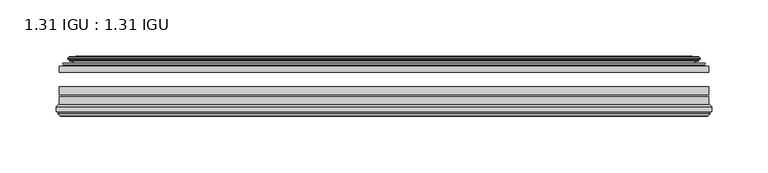
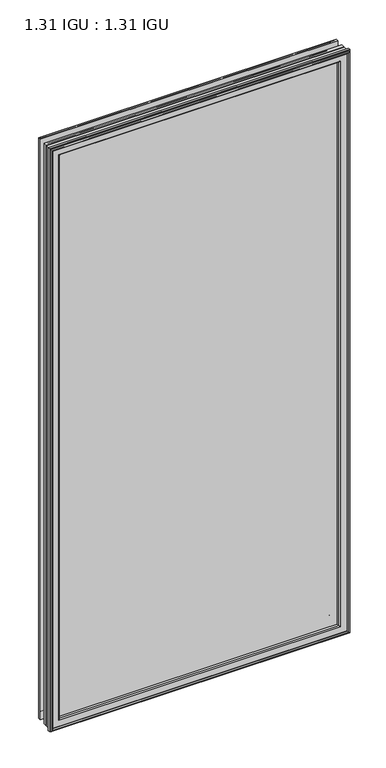
"""IFC4 building model written with IfcOpenShell, lengths in millimetres: plate geometry, 1.31 IGU : 1.31 IGU."""

from ifc_helpers import new_model, si_unit, frame, origin, place, context, project, spatial, polyline, ellipse_curve, outline, extrude, source, transform, mapped, element, save
from ifc_brep_helpers import plane_surface, cylinder_surface, revolved_surface, advanced_brep


def plate_1_31_igu_1_31_igu_f4e4a702(model_context):
    return source(origin(), model_context, "Body", "SolidModel", [
        extrude(outline(polyline([(287.3325649, -44.8960875), (287.3325649, -50.4332875), (-287.3375, -50.4332875), (-287.3375, -44.8960875), (287.3325649, -44.8960875)])), frame((0.0, 0.0, -14.2875), z_axis=(0.0, 0.0, 1.0), x_axis=(1.0, 0.0, 0.0)), (0.0, 0.0, 1.0), 1184.275),
        extrude(outline(polyline([(-287.3375, -78.7796875), (-287.3375, -71.7692875), (287.3325649, -71.7692875), (287.3325649, -78.7796875), (-287.3375, -78.7796875)])), frame((0.0, 0.0, -14.2875), z_axis=(0.0, 0.0, 1.0), x_axis=(1.0, 0.0, 0.0)), (0.0, 0.0, 1.0), 1184.275),
        extrude(outline(polyline([(-287.3375, -70.2452875), (-287.3375, -63.1332875), (287.3325649, -63.1332875), (287.3325649, -70.2452875), (-287.3375, -70.2452875)])), frame((0.0, 0.0, -14.2875), z_axis=(0.0, 0.0, 1.0), x_axis=(1.0, 0.0, 0.0)), (0.0, 0.0, 1.0), 1184.275),
        advanced_brep(
        [(-277.9921755, -37.7373382, 1160.6421755), (-273.0505426, -36.3108875, 1155.7005426), (-273.0505426, -36.3108875, -0.0005426), (-277.9921755, -37.7373382, -4.9421755), (-277.8270702, -36.9605789, 1160.4770702), (-277.8270702, -36.9605789, -4.7770702), (-278.4225559, -36.4771203, 1161.0725559), (-278.4225559, -36.4771203, -5.3725559), (-279.6871917, -37.766076, 1162.3371917), (-279.6871917, -37.766076, -6.6371917), (-279.6763749, -38.8797852, 1162.3263749), (-279.6763749, -38.8797852, -6.6263749), (-278.3948897, -40.1361433, 1161.0448897), (-278.3948897, -40.1361433, -5.3448897), (-277.7898829, -39.649943, 1160.4398829), (-277.7898829, -39.649943, -4.7398829), (-278.3438972, -39.0959287, 1160.9938972), (-278.3438972, -39.0959287, -5.2938972), (-276.0580887, -38.7029881, 1158.7080887), (-276.0580887, -38.7029881, -3.0080887), (-274.5990157, -40.2107282, 1157.2490157), (-274.5990157, -40.2107282, -1.5490157), (-274.8955976, -41.651269, 1157.5455976), (-274.8955976, -41.651269, -1.8455976), (-275.6668221, -42.2798875, 1158.3168221), (-275.6668221, -42.2798875, -2.6168221), (-283.9707984, -43.4871542, 1166.6207984), (-283.6955969, -42.2798875, 1166.3455969), (-283.6955969, -42.2798875, -10.6455969), (-283.9707984, -43.4871542, -10.9207984), (-280.5132297, -44.8960875, 1163.1632297), (-280.5132297, -44.8960875, -7.4632297), (-269.4156059, -44.023302, 1152.0656059), (-269.7709439, -44.8960875, 1152.4209439), (-269.7709439, -44.8960875, 3.2790561), (-269.4156059, -44.023302, 3.6343941), (-270.086804, -43.3681812, 1152.736804), (-270.086804, -43.3681812, 2.963196), (-271.7275946, -40.6686056, 1154.3775946), (-271.7275946, -40.6686056, 1.3224054), (273.0505426, -36.3108875, -0.0005426), (277.9921755, -37.7373382, -4.9421755), (277.8270702, -36.9605789, -4.7770702), (278.4225559, -36.4771203, -5.3725559), (279.6871917, -37.766076, -6.6371917), (279.6763749, -38.8797852, -6.6263749), (278.3948897, -40.1361433, -5.3448897), (277.7898829, -39.649943, -4.7398829), (278.3438972, -39.0959287, -5.2938972), (276.0580887, -38.7029881, -3.0080887), (274.5990157, -40.2107282, -1.5490157), (274.8955976, -41.651269, -1.8455976), (275.6668221, -42.2798875, -2.6168221), (283.6955969, -42.2798875, -10.6455969), (283.9707984, -43.4871542, -10.9207984), (280.5132297, -44.8960875, -7.4632297), (269.7709439, -44.8960875, 3.2790561), (269.4156059, -44.023302, 3.6343941), (270.086804, -43.3681812, 2.963196), (271.7275946, -40.6686056, 1.3224054), (273.0505426, -36.3108875, 1155.7005426), (277.9921755, -37.7373382, 1160.6421755), (277.8270702, -36.9605789, 1160.4770702), (278.4225559, -36.4771203, 1161.0725559), (279.6871917, -37.766076, 1162.3371917), (279.6763749, -38.8797852, 1162.3263749), (278.3948897, -40.1361433, 1161.0448897), (277.7898829, -39.649943, 1160.4398829), (278.3438972, -39.0959287, 1160.9938972), (276.0580887, -38.7029881, 1158.7080887), (274.5990157, -40.2107282, 1157.2490157), (274.8955976, -41.651269, 1157.5455976), (275.6668221, -42.2798875, 1158.3168221), (283.6955969, -42.2798875, 1166.3455969), (283.9707984, -43.4871542, 1166.6207984), (280.5132297, -44.8960875, 1163.1632297), (269.7709439, -44.8960875, 1152.4209439), (269.4156059, -44.023302, 1152.0656059), (270.086804, -43.3681812, 1152.736804), (271.7275946, -40.6686056, 1154.3775946)],
        [
            (0, 1),
            (1, 2),
            (2, 3),
            (3, 0),
            (4, 0),
            (3, 5),
            (5, 4),
            (6, 4, ellipse_curve(frame((-278.1475871, -36.746901, 1160.7975871), z_axis=(-0.7071067811865475, 0.0, -0.7071067811865475), x_axis=(-0.7071067811865474, 0.0, 0.7071067811865476)), 0.5447741, 0.3852135)),
            (5, 7, ellipse_curve(frame((-278.1475871, -36.746901, -5.0975871), z_axis=(-0.7071067811865475, 0.0, 0.7071067811865475), x_axis=(0.7071067811865474, 0.0, 0.7071067811865476)), 0.5447741, 0.3852135)),
            (7, 6),
            (8, 6),
            (7, 9),
            (9, 8),
            (10, 8, ellipse_curve(frame((-279.1251387, -38.3175243, 1161.7751387), z_axis=(-0.7071067811865475, 0.0, -0.7071067811865475), x_axis=(-0.7071067811865474, 0.0, 0.7071067811865476)), 1.1135518, 0.7874)),
            (9, 11, ellipse_curve(frame((-279.1251387, -38.3175243, -6.0751387), z_axis=(-0.7071067811865475, 0.0, 0.7071067811865475), x_axis=(0.7071067811865474, 0.0, 0.7071067811865476)), 1.1135518, 0.7874)),
            (11, 10),
            (12, 10),
            (11, 13),
            (13, 12),
            (14, 12, ellipse_curve(frame((-278.1212922, -39.8570738, 1160.7712922), z_axis=(-0.7071067811865475, 0.0, -0.7071067811865475), x_axis=(-0.7071067811865474, 0.0, 0.7071067811865476)), 0.552694, 0.3908137)),
            (13, 15, ellipse_curve(frame((-278.1212922, -39.8570738, -5.0712922), z_axis=(-0.7071067811865475, 0.0, 0.7071067811865475), x_axis=(0.7071067811865474, 0.0, 0.7071067811865476)), 0.552694, 0.3908137)),
            (15, 14),
            (16, 14),
            (15, 17),
            (17, 16),
            (18, 16),
            (17, 19),
            (19, 18),
            (20, 18, ellipse_curve(frame((-275.8429261, -39.954629, 1158.4929261), z_axis=(0.7071067811865475, 0.0, 0.7071067811865475), x_axis=(0.7071067811865474, 0.0, -0.7071067811865476)), 1.7960512, 1.27)),
            (19, 21, ellipse_curve(frame((-275.8429261, -39.954629, -2.7929261), z_axis=(0.7071067811865475, 0.0, -0.7071067811865475), x_axis=(-0.7071067811865474, 0.0, -0.7071067811865476)), 1.7960512, 1.27)),
            (21, 20),
            (22, 20),
            (21, 23),
            (23, 22),
            (24, 22, ellipse_curve(frame((-275.6668221, -41.4924875, 1158.3168221), z_axis=(0.7071067811865475, 0.0, 0.7071067811865475), x_axis=(0.7071067811865474, 0.0, -0.7071067811865476)), 1.1135518, 0.7874)),
            (23, 25, ellipse_curve(frame((-275.6668221, -41.4924875, -2.6168221), z_axis=(0.7071067811865475, 0.0, -0.7071067811865475), x_axis=(-0.7071067811865474, 0.0, -0.7071067811865476)), 1.1135518, 0.7874)),
            (25, 24),
            (26, 27, ellipse_curve(frame((-283.6955969, -42.9148875, 1166.3455969), z_axis=(-0.7071067811865475, 0.0, -0.7071067811865475), x_axis=(-0.7071067811865474, 0.0, 0.7071067811865476)), 0.8980256, 0.635)),
            (27, 28),
            (28, 29, ellipse_curve(frame((-283.6955969, -42.9148875, -10.6455969), z_axis=(-0.7071067811865475, 0.0, 0.7071067811865475), x_axis=(0.7071067811865474, 0.0, 0.7071067811865476)), 0.8980256, 0.635)),
            (29, 26),
            (30, 26),
            (29, 31),
            (31, 30),
            (32, 33, ellipse_curve(frame((-269.7709439, -44.3873602, 1152.4209439), z_axis=(-0.7071067811865475, 0.0, -0.7071067811865475), x_axis=(-0.7071067811865474, 0.0, 0.7071067811865476)), 0.719449, 0.5087273)),
            (33, 34),
            (34, 35, ellipse_curve(frame((-269.7709439, -44.3873602, 3.2790561), z_axis=(-0.7071067811865475, 0.0, 0.7071067811865475), x_axis=(0.7071067811865474, 0.0, 0.7071067811865476)), 0.719449, 0.5087273)),
            (35, 32),
            (36, 32),
            (35, 37),
            (37, 36),
            (38, 36, ellipse_curve(frame((-265.6514298, -38.823959, 1148.3014298), z_axis=(0.7071067811865475, 0.0, 0.7071067811865475), x_axis=(0.7071067811865474, 0.0, -0.7071067811865476)), 8.9802561, 6.35)),
            (37, 39, ellipse_curve(frame((-265.6514298, -38.823959, 7.3985702), z_axis=(0.7071067811865475, 0.0, -0.7071067811865475), x_axis=(-0.7071067811865474, 0.0, -0.7071067811865476)), 8.9802561, 6.35)),
            (39, 38),
            (1, 38),
            (39, 2),
            (2, 40),
            (40, 41),
            (41, 3),
            (41, 42),
            (42, 5),
            (42, 43, ellipse_curve(frame((278.1475871, -36.746901, -5.0975871), z_axis=(-0.7071067811865475, 0.0, -0.7071067811865475), x_axis=(-0.7071067811865476, 0.0, 0.7071067811865474)), 0.5447741, 0.3852135)),
            (43, 7),
            (43, 44),
            (44, 9),
            (44, 45, ellipse_curve(frame((279.1251387, -38.3175243, -6.0751387), z_axis=(-0.7071067811865475, 0.0, -0.7071067811865475), x_axis=(-0.7071067811865476, 0.0, 0.7071067811865474)), 1.1135518, 0.7874)),
            (45, 11),
            (45, 46),
            (46, 13),
            (46, 47, ellipse_curve(frame((278.1212922, -39.8570738, -5.0712922), z_axis=(-0.7071067811865475, 0.0, -0.7071067811865475), x_axis=(-0.7071067811865476, 0.0, 0.7071067811865474)), 0.552694, 0.3908137)),
            (47, 15),
            (47, 48),
            (48, 17),
            (48, 49),
            (49, 19),
            (49, 50, ellipse_curve(frame((275.8429261, -39.954629, -2.7929261), z_axis=(0.7071067811865475, 0.0, 0.7071067811865475), x_axis=(0.7071067811865476, 0.0, -0.7071067811865474)), 1.7960512, 1.27)),
            (50, 21),
            (50, 51),
            (51, 23),
            (51, 52, ellipse_curve(frame((275.6668221, -41.4924875, -2.6168221), z_axis=(0.7071067811865475, 0.0, 0.7071067811865475), x_axis=(0.7071067811865476, 0.0, -0.7071067811865474)), 1.1135518, 0.7874)),
            (52, 25),
            (28, 53),
            (53, 54, ellipse_curve(frame((283.6955969, -42.9148875, -10.6455969), z_axis=(-0.7071067811865475, 0.0, -0.7071067811865475), x_axis=(-0.7071067811865476, 0.0, 0.7071067811865474)), 0.8980256, 0.635)),
            (54, 29),
            (54, 55),
            (55, 31),
            (34, 56),
            (56, 57, ellipse_curve(frame((269.7709439, -44.3873602, 3.2790561), z_axis=(-0.7071067811865475, 0.0, -0.7071067811865475), x_axis=(-0.7071067811865476, 0.0, 0.7071067811865474)), 0.719449, 0.5087273)),
            (57, 35),
            (57, 58),
            (58, 37),
            (58, 59, ellipse_curve(frame((265.6514298, -38.823959, 7.3985702), z_axis=(0.7071067811865475, 0.0, 0.7071067811865475), x_axis=(0.7071067811865476, 0.0, -0.7071067811865474)), 8.9802561, 6.35)),
            (59, 39),
            (59, 40),
            (40, 60),
            (60, 61),
            (61, 41),
            (61, 62),
            (62, 42),
            (62, 63, ellipse_curve(frame((278.1475871, -36.746901, 1160.7975871), z_axis=(0.7071067811865475, 0.0, -0.7071067811865475), x_axis=(-0.7071067811865474, 0.0, -0.7071067811865476)), 0.5447741, 0.3852135)),
            (63, 43),
            (63, 64),
            (64, 44),
            (64, 65, ellipse_curve(frame((279.1251387, -38.3175243, 1161.7751387), z_axis=(0.7071067811865475, 0.0, -0.7071067811865475), x_axis=(-0.7071067811865474, 0.0, -0.7071067811865476)), 1.1135518, 0.7874)),
            (65, 45),
            (65, 66),
            (66, 46),
            (66, 67, ellipse_curve(frame((278.1212922, -39.8570738, 1160.7712922), z_axis=(0.7071067811865475, 0.0, -0.7071067811865475), x_axis=(-0.7071067811865474, 0.0, -0.7071067811865476)), 0.552694, 0.3908137)),
            (67, 47),
            (67, 68),
            (68, 48),
            (68, 69),
            (69, 49),
            (69, 70, ellipse_curve(frame((275.8429261, -39.954629, 1158.4929261), z_axis=(-0.7071067811865475, 0.0, 0.7071067811865475), x_axis=(0.7071067811865474, 0.0, 0.7071067811865476)), 1.7960512, 1.27)),
            (70, 50),
            (70, 71),
            (71, 51),
            (71, 72, ellipse_curve(frame((275.6668221, -41.4924875, 1158.3168221), z_axis=(-0.7071067811865475, 0.0, 0.7071067811865475), x_axis=(0.7071067811865474, 0.0, 0.7071067811865476)), 1.1135518, 0.7874)),
            (72, 52),
            (53, 73),
            (73, 74, ellipse_curve(frame((283.6955969, -42.9148875, 1166.3455969), z_axis=(0.7071067811865475, 0.0, -0.7071067811865475), x_axis=(-0.7071067811865474, 0.0, -0.7071067811865476)), 0.8980256, 0.635)),
            (74, 54),
            (74, 75),
            (75, 55),
            (56, 76),
            (76, 77, ellipse_curve(frame((269.7709439, -44.3873602, 1152.4209439), z_axis=(0.7071067811865475, 0.0, -0.7071067811865475), x_axis=(-0.7071067811865474, 0.0, -0.7071067811865476)), 0.719449, 0.5087273)),
            (77, 57),
            (77, 78),
            (78, 58),
            (78, 79, ellipse_curve(frame((265.6514298, -38.823959, 1148.3014298), z_axis=(-0.7071067811865475, 0.0, 0.7071067811865475), x_axis=(0.7071067811865474, 0.0, 0.7071067811865476)), 8.9802561, 6.35)),
            (79, 59),
            (79, 60),
            (60, 1),
            (0, 61),
            (4, 62),
            (6, 63),
            (8, 64),
            (10, 65),
            (12, 66),
            (14, 67),
            (16, 68),
            (18, 69),
            (20, 70),
            (22, 71),
            (24, 72),
            (27, 73),
            (26, 74),
            (30, 75),
            (33, 76),
            (32, 77),
            (36, 78),
            (38, 79),
        ],
        [
            plane_surface(frame((-273.0505426, -36.3108875, 1155.7005426), z_axis=(-0.2773364928492854, 0.9607728502273877, 0.0), x_axis=(0.0, 0.0, -1.0))),
            plane_surface(frame((-277.9921755, -37.7373382, 1160.6421755), z_axis=(0.9781476007338358, -0.20791169081761768, 0.0), x_axis=(0.0, 0.0, -1.0))),
            cylinder_surface(frame((-278.1475871, -36.746901, 1187.45), z_axis=(0.0, 0.0, 1.0), x_axis=(-1.0, 0.0, 0.0)), 0.3852135),
            plane_surface(frame((-278.4225559, -36.4771203, 1161.0725559), z_axis=(-0.7138087599382162, 0.7003406701280928, 0.0), x_axis=(0.0, 0.0, -1.0))),
            cylinder_surface(frame((-279.1251387, -38.3175243, 1187.45), z_axis=(0.0, 0.0, 1.0), x_axis=(-1.0, 0.0, 0.0)), 0.7874),
            plane_surface(frame((-279.6763749, -38.8797852, 1162.3263749), z_axis=(-0.7000714109283732, -0.7140728391423082, 0.0), x_axis=(0.0, 0.0, -1.0))),
            cylinder_surface(frame((-278.1212922, -39.8570738, 1187.45), z_axis=(0.0, 0.0, 1.0), x_axis=(-1.0, 0.0, 0.0)), 0.3908137),
            plane_surface(frame((-277.7898829, -39.649943, 1160.4398829), z_axis=(0.7071067811861126, 0.7071067811869826, 0.0), x_axis=(0.0, 0.0, -1.0))),
            plane_surface(frame((-278.3438972, -39.0959287, 1160.9938972), z_axis=(0.16941940671011485, -0.9855440449974789, 0.0), x_axis=(0.0, 0.0, -1.0))),
            revolved_surface(polyline([(-277.1129261, -39.954629, -4.062926082878221), (-277.1129261, -39.954629, 1159.7629260828783)]), (-275.8429261, -39.954629, 1187.45), (0.0, 0.0, -1.0)),
            plane_surface(frame((-274.5990157, -40.2107282, 1157.2490157), z_axis=(-0.9794570432566897, 0.201652920670302, 0.0), x_axis=(0.0, 0.0, -1.0))),
            revolved_surface(polyline([(-276.4542221, -41.4924875, -3.4042221289826102), (-276.4542221, -41.4924875, 1159.1042221289827)]), (-275.6668221, -41.4924875, 1187.45), (0.0, 0.0, -1.0)),
            cylinder_surface(frame((-283.6955969, -42.9148875, 1187.45), z_axis=(0.0, 0.0, 1.0), x_axis=(-1.0, 0.0, 0.0)), 0.635),
            plane_surface(frame((-283.9707984, -43.4871542, 1166.6207984), z_axis=(-0.37736447542757934, -0.9260648209954139, 0.0), x_axis=(0.0, 0.0, -1.0))),
            cylinder_surface(frame((-269.7709439, -44.3873602, 1187.45), z_axis=(0.0, 0.0, 1.0), x_axis=(-1.0, 0.0, 0.0)), 0.5087273),
            plane_surface(frame((-269.4156059, -44.023302, 1152.0656059), z_axis=(0.698484125849927, 0.7156255486884628, 0.0), x_axis=(0.0, 0.0, -1.0))),
            revolved_surface(polyline([(-272.00142980000004, -38.823959, 1.0485702148980636), (-272.00142980000004, -38.823959, 1154.651429785102)]), (-265.6514298, -38.823959, 1187.45), (0.0, 0.0, -1.0)),
            plane_surface(frame((-271.7275946, -40.6686056, 1154.3775946), z_axis=(0.9568763473517009, 0.2904955350411896, 0.0), x_axis=(0.0, 0.0, -1.0))),
            plane_surface(frame((-273.0505426, -36.3108875, -0.0005426), z_axis=(0.0, 0.9607728502273868, -0.2773364928492885), x_axis=(1.0, 0.0, 0.0))),
            plane_surface(frame((-277.9921755, -37.7373382, -4.9421755), z_axis=(0.0, -0.20791169081761454, 0.9781476007338364), x_axis=(1.0, 0.0, 0.0))),
            cylinder_surface(frame((-304.8, -36.746901, -5.0975871), z_axis=(-1.0, 0.0, 0.0), x_axis=(0.0, 0.0, -1.0)), 0.3852135),
            plane_surface(frame((-278.4225559, -36.4771203, -5.3725559), z_axis=(0.0, 0.7003406701280904, -0.7138087599382185), x_axis=(1.0, 0.0, 0.0))),
            cylinder_surface(frame((-304.8, -38.3175243, -6.0751387), z_axis=(-1.0, 0.0, 0.0), x_axis=(0.0, 0.0, -1.0)), 0.7874),
            plane_surface(frame((-279.6763749, -38.8797852, -6.6263749), z_axis=(0.0, -0.7140728391423105, -0.7000714109283709), x_axis=(1.0, 0.0, 0.0))),
            cylinder_surface(frame((-304.8, -39.8570738, -5.0712922), z_axis=(-1.0, 0.0, 0.0), x_axis=(0.0, 0.0, -1.0)), 0.3908137),
            plane_surface(frame((-277.7898829, -39.649943, -4.7398829), z_axis=(0.0, 0.7071067811869849, 0.7071067811861103), x_axis=(1.0, 0.0, 0.0))),
            plane_surface(frame((-278.3438972, -39.0959287, -5.2938972), z_axis=(0.0, -0.9855440449974784, 0.16941940671011801), x_axis=(1.0, 0.0, 0.0))),
            revolved_surface(polyline([(277.11292608287835, -39.954629, -4.0629261), (-277.11292608287823, -39.954629, -4.0629261)]), (-304.8, -39.954629, -2.7929261), (1.0, 0.0, 0.0)),
            plane_surface(frame((-274.5990157, -40.2107282, -1.5490157), z_axis=(0.0, 0.20165292067029883, -0.9794570432566904), x_axis=(1.0, 0.0, 0.0))),
            revolved_surface(polyline([(276.4542221289824, -41.4924875, -3.4042220999999997), (-276.45422212898245, -41.4924875, -3.4042220999999997)]), (-304.8, -41.4924875, -2.6168221), (1.0, 0.0, 0.0)),
            cylinder_surface(frame((-304.8, -42.9148875, -10.6455969), z_axis=(-1.0, 0.0, 0.0), x_axis=(0.0, 0.0, -1.0)), 0.635),
            plane_surface(frame((-283.9707984, -43.4871542, -10.9207984), z_axis=(0.0, -0.9260648209954151, -0.37736447542757634), x_axis=(1.0, 0.0, 0.0))),
            cylinder_surface(frame((-304.8, -44.3873602, 3.2790561), z_axis=(-1.0, 0.0, 0.0), x_axis=(0.0, 0.0, -1.0)), 0.5087273),
            plane_surface(frame((-269.4156059, -44.023302, 3.6343941), z_axis=(0.0, 0.7156255486884651, 0.6984841258499247), x_axis=(1.0, 0.0, 0.0))),
            revolved_surface(polyline([(272.00142978510183, -38.823959, 1.0485702000000003), (-272.0014297851019, -38.823959, 1.0485702000000003)]), (-304.8, -38.823959, 7.3985702), (1.0, 0.0, 0.0)),
            plane_surface(frame((-271.7275946, -40.6686056, 1.3224054), z_axis=(0.0, 0.29049553504119263, 0.9568763473517), x_axis=(1.0, 0.0, 0.0))),
            plane_surface(frame((273.0505426, -36.3108875, -0.0005426), z_axis=(0.2773364928492916, 0.9607728502273859, 0.0), x_axis=(0.0, 0.0, 1.0))),
            plane_surface(frame((277.9921755, -37.7373382, -4.9421755), z_axis=(-0.9781476007338371, -0.2079116908176114, 0.0), x_axis=(0.0, 0.0, 1.0))),
            cylinder_surface(frame((278.1475871, -36.746901, -31.75), z_axis=(0.0, 0.0, -1.0), x_axis=(1.0, 0.0, 0.0)), 0.3852135),
            plane_surface(frame((278.4225559, -36.4771203, -5.3725559), z_axis=(0.7138087599382208, 0.7003406701280882, 0.0), x_axis=(0.0, 0.0, 1.0))),
            cylinder_surface(frame((279.1251387, -38.3175243, -31.75), z_axis=(0.0, 0.0, -1.0), x_axis=(1.0, 0.0, 0.0)), 0.7874),
            plane_surface(frame((279.6763749, -38.8797852, -6.6263749), z_axis=(0.7000714109283687, -0.7140728391423128, 0.0), x_axis=(0.0, 0.0, 1.0))),
            cylinder_surface(frame((278.1212922, -39.8570738, -31.75), z_axis=(0.0, 0.0, -1.0), x_axis=(1.0, 0.0, 0.0)), 0.3908137),
            plane_surface(frame((277.7898829, -39.649943, -4.7398829), z_axis=(-0.7071067811861079, 0.7071067811869872, 0.0), x_axis=(0.0, 0.0, 1.0))),
            plane_surface(frame((278.3438972, -39.0959287, -5.2938972), z_axis=(-0.16941940671012118, -0.9855440449974778, 0.0), x_axis=(0.0, 0.0, 1.0))),
            revolved_surface(polyline([(277.1129261, -39.954629, 1159.7629260828783), (277.1129261, -39.954629, -4.062926082878235)]), (275.8429261, -39.954629, -31.75), (0.0, 0.0, 1.0)),
            plane_surface(frame((274.5990157, -40.2107282, -1.5490157), z_axis=(0.979457043256691, 0.20165292067029567, 0.0), x_axis=(0.0, 0.0, 1.0))),
            revolved_surface(polyline([(276.4542221, -41.4924875, 1159.1042221289827), (276.4542221, -41.4924875, -3.404222128982486)]), (275.6668221, -41.4924875, -31.75), (0.0, 0.0, 1.0)),
            cylinder_surface(frame((283.6955969, -42.9148875, -31.75), z_axis=(0.0, 0.0, -1.0), x_axis=(1.0, 0.0, 0.0)), 0.635),
            plane_surface(frame((283.9707984, -43.4871542, -10.9207984), z_axis=(0.37736447542757334, -0.9260648209954163, 0.0), x_axis=(0.0, 0.0, 1.0))),
            cylinder_surface(frame((269.7709439, -44.3873602, -31.75), z_axis=(0.0, 0.0, -1.0), x_axis=(1.0, 0.0, 0.0)), 0.5087273),
            plane_surface(frame((269.4156059, -44.023302, 3.6343941), z_axis=(-0.6984841258499224, 0.7156255486884673, 0.0), x_axis=(0.0, 0.0, 1.0))),
            revolved_surface(polyline([(272.00142980000004, -38.823959, 1154.651429785102), (272.00142980000004, -38.823959, 1.0485702148981417)]), (265.6514298, -38.823959, -31.75), (0.0, 0.0, 1.0)),
            plane_surface(frame((271.7275946, -40.6686056, 1.3224054), z_axis=(-0.9568763473516991, 0.2904955350411957, 0.0), x_axis=(0.0, 0.0, 1.0))),
            plane_surface(frame((273.0505426, -36.3108875, 1155.7005426), z_axis=(0.0, 0.9607728502273868, 0.2773364928492885), x_axis=(-1.0, 0.0, 0.0))),
            plane_surface(frame((277.9921755, -37.7373382, 1160.6421755), z_axis=(0.0, -0.20791169081761454, -0.9781476007338364), x_axis=(-1.0, 0.0, 0.0))),
            cylinder_surface(frame((304.8, -36.746901, 1160.7975871), z_axis=(1.0, 0.0, 0.0), x_axis=(0.0, 0.0, 1.0)), 0.3852135),
            plane_surface(frame((278.4225559, -36.4771203, 1161.0725559), z_axis=(0.0, 0.7003406701280904, 0.7138087599382185), x_axis=(-1.0, 0.0, 0.0))),
            cylinder_surface(frame((304.8, -38.3175243, 1161.7751387), z_axis=(1.0, 0.0, 0.0), x_axis=(0.0, 0.0, 1.0)), 0.7874),
            plane_surface(frame((279.6763749, -38.8797852, 1162.3263749), z_axis=(0.0, -0.7140728391423106, 0.700071410928371), x_axis=(-1.0, 0.0, 0.0))),
            cylinder_surface(frame((304.8, -39.8570738, 1160.7712922), z_axis=(1.0, 0.0, 0.0), x_axis=(0.0, 0.0, 1.0)), 0.3908137),
            plane_surface(frame((277.7898829, -39.649943, 1160.4398829), z_axis=(0.0, 0.7071067811869849, -0.7071067811861103), x_axis=(-1.0, 0.0, 0.0))),
            plane_surface(frame((278.3438972, -39.0959287, 1160.9938972), z_axis=(0.0, -0.9855440449974784, -0.16941940671011801), x_axis=(-1.0, 0.0, 0.0))),
            revolved_surface(polyline([(-277.11292608287835, -39.954629, 1159.7629261), (277.11292608287823, -39.954629, 1159.7629261)]), (304.8, -39.954629, 1158.4929261), (-1.0, 0.0, 0.0)),
            plane_surface(frame((274.5990157, -40.2107282, 1157.2490157), z_axis=(0.0, 0.20165292067029883, 0.9794570432566904), x_axis=(-1.0, 0.0, 0.0))),
            revolved_surface(polyline([(-276.4542221289824, -41.4924875, 1159.1042221), (276.45422212898245, -41.4924875, 1159.1042221)]), (304.8, -41.4924875, 1158.3168221), (-1.0, 0.0, 0.0)),
            plane_surface(frame((275.6668221, -42.2798875, 1158.3168221), z_axis=(0.0, 1.0, 0.0), x_axis=(-1.0, 0.0, 0.0))),
            cylinder_surface(frame((304.8, -42.9148875, 1166.3455969), z_axis=(1.0, 0.0, 0.0), x_axis=(0.0, 0.0, 1.0)), 0.635),
            plane_surface(frame((283.9707984, -43.4871542, 1166.6207984), z_axis=(0.0, -0.9260648209954151, 0.37736447542757634), x_axis=(-1.0, 0.0, 0.0))),
            plane_surface(frame((280.5132297, -44.8960875, 1163.1632297), z_axis=(0.0, -1.0, 0.0), x_axis=(-1.0, 0.0, 0.0))),
            cylinder_surface(frame((304.8, -44.3873602, 1152.4209439), z_axis=(1.0, 0.0, 0.0), x_axis=(0.0, 0.0, 1.0)), 0.5087273),
            plane_surface(frame((269.4156059, -44.023302, 1152.0656059), z_axis=(0.0, 0.7156255486884651, -0.6984841258499247), x_axis=(-1.0, 0.0, 0.0))),
            revolved_surface(polyline([(-272.00142978510183, -38.823959, 1154.6514298), (272.0014297851019, -38.823959, 1154.6514298)]), (304.8, -38.823959, 1148.3014298), (-1.0, 0.0, 0.0)),
            plane_surface(frame((271.7275946, -40.6686056, 1154.3775946), z_axis=(0.0, 0.29049553504119263, -0.9568763473517), x_axis=(-1.0, 0.0, 0.0))),
        ],
        [
            (0, [[1, 2, 3, 4]]),
            (1, [[5, -4, 6, 7]]),
            (2, [[8, -7, 9, 10]]),
            (3, [[11, -10, 12, 13]]),
            (4, [[14, -13, 15, 16]]),
            (5, [[17, -16, 18, 19]]),
            (6, [[20, -19, 21, 22]]),
            (7, [[23, -22, 24, 25]]),
            (8, [[26, -25, 27, 28]]),
            (9, [[29, -28, 30, 31]]),
            (10, [[32, -31, 33, 34]]),
            (11, [[35, -34, 36, 37]]),
            (12, [[38, 39, 40, 41]]),
            (13, [[42, -41, 43, 44]]),
            (14, [[45, 46, 47, 48]]),
            (15, [[49, -48, 50, 51]]),
            (16, [[52, -51, 53, 54]]),
            (17, [[55, -54, 56, -2]]),
            (18, [[-3, 57, 58, 59]]),
            (19, [[-6, -59, 60, 61]]),
            (20, [[-9, -61, 62, 63]]),
            (21, [[-12, -63, 64, 65]]),
            (22, [[-15, -65, 66, 67]]),
            (23, [[-18, -67, 68, 69]]),
            (24, [[-21, -69, 70, 71]]),
            (25, [[-24, -71, 72, 73]]),
            (26, [[-27, -73, 74, 75]]),
            (27, [[-30, -75, 76, 77]]),
            (28, [[-33, -77, 78, 79]]),
            (29, [[-36, -79, 80, 81]]),
            (30, [[-40, 82, 83, 84]]),
            (31, [[-43, -84, 85, 86]]),
            (32, [[-47, 87, 88, 89]]),
            (33, [[-50, -89, 90, 91]]),
            (34, [[-53, -91, 92, 93]]),
            (35, [[-56, -93, 94, -57]]),
            (36, [[-58, 95, 96, 97]]),
            (37, [[-60, -97, 98, 99]]),
            (38, [[-62, -99, 100, 101]]),
            (39, [[-64, -101, 102, 103]]),
            (40, [[-66, -103, 104, 105]]),
            (41, [[-68, -105, 106, 107]]),
            (42, [[-70, -107, 108, 109]]),
            (43, [[-72, -109, 110, 111]]),
            (44, [[-74, -111, 112, 113]]),
            (45, [[-76, -113, 114, 115]]),
            (46, [[-78, -115, 116, 117]]),
            (47, [[-80, -117, 118, 119]]),
            (48, [[-83, 120, 121, 122]]),
            (49, [[-85, -122, 123, 124]]),
            (50, [[-88, 125, 126, 127]]),
            (51, [[-90, -127, 128, 129]]),
            (52, [[-92, -129, 130, 131]]),
            (53, [[-94, -131, 132, -95]]),
            (54, [[-96, 133, -1, 134]]),
            (55, [[-98, -134, -5, 135]]),
            (56, [[-100, -135, -8, 136]]),
            (57, [[-102, -136, -11, 137]]),
            (58, [[-104, -137, -14, 138]]),
            (59, [[-106, -138, -17, 139]]),
            (60, [[-108, -139, -20, 140]]),
            (61, [[-110, -140, -23, 141]]),
            (62, [[-112, -141, -26, 142]]),
            (63, [[-114, -142, -29, 143]]),
            (64, [[-116, -143, -32, 144]]),
            (65, [[-118, -144, -35, 145]]),
            (66, [[146, -120, -82, -39], [-81, -119, -145, -37]]),
            (67, [[-121, -146, -38, 147]]),
            (68, [[-123, -147, -42, 148]]),
            (69, [[-86, -124, -148, -44], [149, -125, -87, -46]]),
            (70, [[-126, -149, -45, 150]]),
            (71, [[-128, -150, -49, 151]]),
            (72, [[-130, -151, -52, 152]]),
            (73, [[-132, -152, -55, -133]]),
        ],
    ),
        advanced_brep(
        [(-270.3624494, -83.3389875, 1153.0124494), (-272.1375155, -85.1296875, 1154.7875155), (-272.1375155, -85.1296875, 0.9124845), (-270.3624494, -83.3389875, 2.6875506), (-269.3392401, -78.7796875, 1151.9892401), (-269.3392401, -78.7796875, 3.7107599), (-289.9199491, -80.9740477, 1172.5699491), (-287.7255889, -78.7796875, 1170.3755889), (-287.7255889, -78.7796875, -14.6755889), (-289.9199491, -80.9740477, -16.8699491), (-289.9199491, -85.1296875, 1172.5699491), (-289.9199491, -85.1296875, -16.8699491), (-287.3948889, -86.3747112, 1170.0448889), (-288.1461159, -85.1296875, 1170.7961159), (-288.1461159, -85.1296875, -15.0961159), (-287.3948889, -86.3747112, -14.3448889), (-287.0853598, -87.6502863, 1169.7353598), (-287.0853598, -87.6502863, -14.0353598), (-288.1034732, -87.2076396, 1170.7534732), (-288.1034732, -87.2076396, -15.0534732), (-286.4164838, -88.8840626, 1169.0664838), (-288.8981832, -87.2076396, 1171.5481832), (-288.8981832, -87.2076396, -15.8481832), (-286.4164838, -88.8840626, -13.3664838), (-284.2646584, -86.9401656, 1166.9146584), (-284.2646584, -86.9401656, -11.2146584), (-285.9720126, -87.5528811, 1168.6220126), (-285.0462314, -86.9401656, 1167.6962314), (-285.0462314, -86.9401656, -11.9962314), (-285.9720126, -87.5528811, -12.9220126), (-285.8886873, -86.2429356, 1168.5386873), (-285.8886873, -86.2429356, -12.8386873), (-285.2904492, -85.1296875, 1167.9404492), (-285.2904492, -85.1296875, -12.2404492), (272.1375155, -85.1296875, 0.9124845), (270.3624494, -83.3389875, 2.6875506), (269.3392401, -78.7796875, 3.7107599), (287.7255889, -78.7796875, -14.6755889), (289.9199491, -80.9740477, -16.8699491), (289.9199491, -85.1296875, -16.8699491), (288.1461159, -85.1296875, -15.0961159), (287.3948889, -86.3747112, -14.3448889), (287.0853598, -87.6502863, -14.0353598), (288.1034732, -87.2076396, -15.0534732), (288.8981832, -87.2076396, -15.8481832), (286.4164838, -88.8840626, -13.3664838), (284.2646584, -86.9401656, -11.2146584), (285.0462314, -86.9401656, -11.9962314), (285.9720126, -87.5528811, -12.9220126), (285.8886873, -86.2429356, -12.8386873), (285.2904492, -85.1296875, -12.2404492), (272.1375155, -85.1296875, 1154.7875155), (270.3624494, -83.3389875, 1153.0124494), (269.3392401, -78.7796875, 1151.9892401), (287.7255889, -78.7796875, 1170.3755889), (289.9199491, -80.9740477, 1172.5699491), (289.9199491, -85.1296875, 1172.5699491), (288.1461159, -85.1296875, 1170.7961159), (287.3948889, -86.3747112, 1170.0448889), (287.0853598, -87.6502863, 1169.7353598), (288.1034732, -87.2076396, 1170.7534732), (288.8981832, -87.2076396, 1171.5481832), (286.4164838, -88.8840626, 1169.0664838), (284.2646584, -86.9401656, 1166.9146584), (285.0462314, -86.9401656, 1167.6962314), (285.9720126, -87.5528811, 1168.6220126), (285.8886873, -86.2429356, 1168.5386873), (285.2904492, -85.1296875, 1167.9404492)],
        [
            (0, 1, ellipse_curve(frame((-272.3889505, -83.1053133, 1155.0389505), z_axis=(-0.7071067811865475, 0.0, -0.7071067811865475), x_axis=(-0.7071067811865474, 0.0, 0.7071067811865476)), 2.8848953, 2.039929)),
            (1, 2),
            (2, 3, ellipse_curve(frame((-272.3889505, -83.1053133, 0.6610495), z_axis=(-0.7071067811865475, 0.0, 0.7071067811865475), x_axis=(0.7071067811865474, 0.0, 0.7071067811865476)), 2.8848953, 2.039929)),
            (3, 0),
            (4, 0),
            (3, 5),
            (5, 4),
            (6, 7),
            (7, 8),
            (8, 9),
            (9, 6),
            (10, 6),
            (9, 11),
            (11, 10),
            (12, 13),
            (13, 14),
            (14, 15),
            (15, 12),
            (16, 12),
            (15, 17),
            (17, 16),
            (18, 16),
            (17, 19),
            (19, 18),
            (20, 21),
            (21, 22),
            (22, 23),
            (23, 20),
            (24, 20),
            (23, 25),
            (25, 24),
            (26, 27),
            (27, 28),
            (28, 29),
            (29, 26),
            (30, 26),
            (29, 31),
            (31, 30),
            (32, 30),
            (31, 33),
            (33, 32),
            (2, 34),
            (34, 35, ellipse_curve(frame((272.3889505, -83.1053133, 0.6610495), z_axis=(-0.7071067811865475, 0.0, -0.7071067811865475), x_axis=(-0.7071067811865476, 0.0, 0.7071067811865474)), 2.8848953, 2.039929)),
            (35, 3),
            (35, 36),
            (36, 5),
            (8, 37),
            (37, 38),
            (38, 9),
            (38, 39),
            (39, 11),
            (14, 40),
            (40, 41),
            (41, 15),
            (41, 42),
            (42, 17),
            (42, 43),
            (43, 19),
            (22, 44),
            (44, 45),
            (45, 23),
            (45, 46),
            (46, 25),
            (28, 47),
            (47, 48),
            (48, 29),
            (48, 49),
            (49, 31),
            (49, 50),
            (50, 33),
            (34, 51),
            (51, 52, ellipse_curve(frame((272.3889505, -83.1053133, 1155.0389505), z_axis=(0.7071067811865475, 0.0, -0.7071067811865475), x_axis=(-0.7071067811865474, 0.0, -0.7071067811865476)), 2.8848953, 2.039929)),
            (52, 35),
            (52, 53),
            (53, 36),
            (37, 54),
            (54, 55),
            (55, 38),
            (55, 56),
            (56, 39),
            (40, 57),
            (57, 58),
            (58, 41),
            (58, 59),
            (59, 42),
            (59, 60),
            (60, 43),
            (44, 61),
            (61, 62),
            (62, 45),
            (62, 63),
            (63, 46),
            (47, 64),
            (64, 65),
            (65, 48),
            (65, 66),
            (66, 49),
            (66, 67),
            (67, 50),
            (51, 1),
            (0, 52),
            (4, 53),
            (7, 54),
            (6, 55),
            (10, 56),
            (13, 57),
            (12, 58),
            (16, 59),
            (18, 60),
            (21, 61),
            (20, 62),
            (24, 63),
            (27, 64),
            (26, 65),
            (30, 66),
            (32, 67),
        ],
        [
            cylinder_surface(frame((-272.3889505, -83.1053133, 1187.45), z_axis=(0.0, 0.0, 1.0), x_axis=(-1.0, 0.0, 0.0)), 2.039929),
            plane_surface(frame((-270.3624494, -83.3389875, 1153.0124494), z_axis=(0.9757302952562701, -0.21897577701451848, 0.0), x_axis=(0.0, 0.0, -1.0))),
            plane_surface(frame((-287.7255889, -78.7796875, 1170.3755889), z_axis=(-0.7071067811871722, 0.7071067811859229, 0.0), x_axis=(0.0, 0.0, -1.0))),
            plane_surface(frame((-289.9199491, -80.9740477, 1172.5699491), z_axis=(-1.0, 0.0, 0.0), x_axis=(0.0, 0.0, -1.0))),
            plane_surface(frame((-288.1461159, -85.1296875, 1170.7961159), z_axis=(-0.8562121193263807, -0.516624434883434, 0.0), x_axis=(0.0, 0.0, -1.0))),
            plane_surface(frame((-287.3948889, -86.3747112, 1170.0448889), z_axis=(-0.9717979666139347, -0.23581499546259124, 0.0), x_axis=(0.0, 0.0, -1.0))),
            plane_surface(frame((-287.0853598, -87.6502863, 1169.7353598), z_axis=(0.3987175451776161, 0.9170737806564615, 0.0), x_axis=(0.0, 0.0, -1.0))),
            plane_surface(frame((-288.8981832, -87.2076396, 1171.5481832), z_axis=(-0.5597655002239059, -0.8286510633306884, 0.0), x_axis=(0.0, 0.0, -1.0))),
            plane_surface(frame((-286.4164838, -88.8840626, 1169.0664838), z_axis=(0.6703456526761111, -0.7420489916024674, 0.0), x_axis=(0.0, 0.0, -1.0))),
            plane_surface(frame((-285.0462314, -86.9401656, 1167.6962314), z_axis=(-0.5519083205498945, 0.8339047941508642, 0.0), x_axis=(0.0, 0.0, -1.0))),
            plane_surface(frame((-285.9720126, -87.5528811, 1168.6220126), z_axis=(0.9979830161114805, -0.06348148984572212, 0.0), x_axis=(0.0, 0.0, -1.0))),
            plane_surface(frame((-285.8886873, -86.2429356, 1168.5386873), z_axis=(0.8808682216207324, -0.47336157019632297, 0.0), x_axis=(0.0, 0.0, -1.0))),
            cylinder_surface(frame((-304.8, -83.1053133, 0.6610495), z_axis=(-1.0, 0.0, 0.0), x_axis=(0.0, 0.0, -1.0)), 2.039929),
            plane_surface(frame((-270.3624494, -83.3389875, 2.6875506), z_axis=(0.0, -0.21897577701451534, 0.9757302952562708), x_axis=(1.0, 0.0, 0.0))),
            plane_surface(frame((-287.7255889, -78.7796875, -14.6755889), z_axis=(0.0, 0.7071067811859205, -0.7071067811871745), x_axis=(1.0, 0.0, 0.0))),
            plane_surface(frame((-289.9199491, -80.9740477, -16.8699491), z_axis=(0.0, 0.0, -1.0), x_axis=(1.0, 0.0, 0.0))),
            plane_surface(frame((-288.1461159, -85.1296875, -15.0961159), z_axis=(0.0, -0.5166244348834368, -0.8562121193263791), x_axis=(1.0, 0.0, 0.0))),
            plane_surface(frame((-287.3948889, -86.3747112, -14.3448889), z_axis=(0.0, -0.23581499546259438, -0.9717979666139339), x_axis=(1.0, 0.0, 0.0))),
            plane_surface(frame((-287.0853598, -87.6502863, -14.0353598), z_axis=(0.0, 0.9170737806564628, 0.39871754517761315), x_axis=(1.0, 0.0, 0.0))),
            plane_surface(frame((-288.8981832, -87.2076396, -15.8481832), z_axis=(0.0, -0.8286510633306902, -0.5597655002239033), x_axis=(1.0, 0.0, 0.0))),
            plane_surface(frame((-286.4164838, -88.8840626, -13.3664838), z_axis=(0.0, -0.7420489916024653, 0.6703456526761136), x_axis=(1.0, 0.0, 0.0))),
            plane_surface(frame((-285.0462314, -86.9401656, -11.9962314), z_axis=(0.0, 0.8339047941508624, -0.5519083205498971), x_axis=(1.0, 0.0, 0.0))),
            plane_surface(frame((-285.9720126, -87.5528811, -12.9220126), z_axis=(0.0, -0.0634814898457189, 0.9979830161114808), x_axis=(1.0, 0.0, 0.0))),
            plane_surface(frame((-285.8886873, -86.2429356, -12.8386873), z_axis=(0.0, -0.47336157019632014, 0.880868221620734), x_axis=(1.0, 0.0, 0.0))),
            cylinder_surface(frame((272.3889505, -83.1053133, -31.75), z_axis=(0.0, 0.0, -1.0), x_axis=(1.0, 0.0, 0.0)), 2.039929),
            plane_surface(frame((270.3624494, -83.3389875, 2.6875506), z_axis=(-0.9757302952562714, -0.2189757770145122, 0.0), x_axis=(0.0, 0.0, 1.0))),
            plane_surface(frame((287.7255889, -78.7796875, -14.6755889), z_axis=(0.7071067811871768, 0.7071067811859182, 0.0), x_axis=(0.0, 0.0, 1.0))),
            plane_surface(frame((289.9199491, -80.9740477, -16.8699491), z_axis=(1.0, 0.0, 0.0), x_axis=(0.0, 0.0, 1.0))),
            plane_surface(frame((288.1461159, -85.1296875, -15.0961159), z_axis=(0.8562121193263774, -0.5166244348834396, 0.0), x_axis=(0.0, 0.0, 1.0))),
            plane_surface(frame((287.3948889, -86.3747112, -14.3448889), z_axis=(0.9717979666139331, -0.23581499546259752, 0.0), x_axis=(0.0, 0.0, 1.0))),
            plane_surface(frame((287.0853598, -87.6502863, -14.0353598), z_axis=(-0.3987175451776102, 0.9170737806564642, 0.0), x_axis=(0.0, 0.0, 1.0))),
            plane_surface(frame((288.8981832, -87.2076396, -15.8481832), z_axis=(0.5597655002239006, -0.8286510633306919, 0.0), x_axis=(0.0, 0.0, 1.0))),
            plane_surface(frame((286.4164838, -88.8840626, -13.3664838), z_axis=(-0.6703456526761159, -0.7420489916024631, 0.0), x_axis=(0.0, 0.0, 1.0))),
            plane_surface(frame((285.0462314, -86.9401656, -11.9962314), z_axis=(0.5519083205498998, 0.8339047941508606, 0.0), x_axis=(0.0, 0.0, 1.0))),
            plane_surface(frame((285.9720126, -87.5528811, -12.9220126), z_axis=(-0.997983016111481, -0.06348148984571568, 0.0), x_axis=(0.0, 0.0, 1.0))),
            plane_surface(frame((285.8886873, -86.2429356, -12.8386873), z_axis=(-0.8808682216207355, -0.4733615701963173, 0.0), x_axis=(0.0, 0.0, 1.0))),
            cylinder_surface(frame((304.8, -83.1053133, 1155.0389505), z_axis=(1.0, 0.0, 0.0), x_axis=(0.0, 0.0, 1.0)), 2.039929),
            plane_surface(frame((270.3624494, -83.3389875, 1153.0124494), z_axis=(0.0, -0.21897577701451534, -0.9757302952562708), x_axis=(-1.0, 0.0, 0.0))),
            plane_surface(frame((269.3392401, -78.7796875, 1151.9892401), z_axis=(0.0, 1.0, 0.0), x_axis=(-1.0, 0.0, 0.0))),
            plane_surface(frame((287.7255889, -78.7796875, 1170.3755889), z_axis=(0.0, 0.7071067811859205, 0.7071067811871745), x_axis=(-1.0, 0.0, 0.0))),
            plane_surface(frame((289.9199491, -80.9740477, 1172.5699491), z_axis=(0.0, 0.0, 1.0), x_axis=(-1.0, 0.0, 0.0))),
            plane_surface(frame((289.9199491, -85.1296875, 1172.5699491), z_axis=(0.0, -1.0, 0.0), x_axis=(-1.0, 0.0, 0.0))),
            plane_surface(frame((288.1461159, -85.1296875, 1170.7961159), z_axis=(0.0, -0.5166244348834368, 0.8562121193263791), x_axis=(-1.0, 0.0, 0.0))),
            plane_surface(frame((287.3948889, -86.3747112, 1170.0448889), z_axis=(0.0, -0.23581499546259438, 0.9717979666139339), x_axis=(-1.0, 0.0, 0.0))),
            plane_surface(frame((287.0853598, -87.6502863, 1169.7353598), z_axis=(0.0, 0.9170737806564628, -0.39871754517761315), x_axis=(-1.0, 0.0, 0.0))),
            plane_surface(frame((288.1034732, -87.2076396, 1170.7534732), z_axis=(0.0, 1.0, 0.0), x_axis=(-1.0, 0.0, 0.0))),
            plane_surface(frame((288.8981832, -87.2076396, 1171.5481832), z_axis=(0.0, -0.8286510633306902, 0.5597655002239033), x_axis=(-1.0, 0.0, 0.0))),
            plane_surface(frame((286.4164838, -88.8840626, 1169.0664838), z_axis=(0.0, -0.7420489916024652, -0.6703456526761135), x_axis=(-1.0, 0.0, 0.0))),
            plane_surface(frame((284.2646584, -86.9401656, 1166.9146584), z_axis=(0.0, 1.0, 0.0), x_axis=(-1.0, 0.0, 0.0))),
            plane_surface(frame((285.0462314, -86.9401656, 1167.6962314), z_axis=(0.0, 0.8339047941508624, 0.5519083205498971), x_axis=(-1.0, 0.0, 0.0))),
            plane_surface(frame((285.9720126, -87.5528811, 1168.6220126), z_axis=(0.0, -0.0634814898457189, -0.9979830161114808), x_axis=(-1.0, 0.0, 0.0))),
            plane_surface(frame((285.8886873, -86.2429356, 1168.5386873), z_axis=(0.0, -0.47336157019632014, -0.880868221620734), x_axis=(-1.0, 0.0, 0.0))),
            plane_surface(frame((285.2904492, -85.1296875, 1167.9404492), z_axis=(0.0, -1.0, 0.0), x_axis=(-1.0, 0.0, 0.0))),
        ],
        [
            (0, [[1, 2, 3, 4]]),
            (1, [[5, -4, 6, 7]]),
            (2, [[8, 9, 10, 11]]),
            (3, [[12, -11, 13, 14]]),
            (4, [[15, 16, 17, 18]]),
            (5, [[19, -18, 20, 21]]),
            (6, [[22, -21, 23, 24]]),
            (7, [[25, 26, 27, 28]]),
            (8, [[29, -28, 30, 31]]),
            (9, [[32, 33, 34, 35]]),
            (10, [[36, -35, 37, 38]]),
            (11, [[39, -38, 40, 41]]),
            (12, [[-3, 42, 43, 44]]),
            (13, [[-6, -44, 45, 46]]),
            (14, [[-10, 47, 48, 49]]),
            (15, [[-13, -49, 50, 51]]),
            (16, [[-17, 52, 53, 54]]),
            (17, [[-20, -54, 55, 56]]),
            (18, [[-23, -56, 57, 58]]),
            (19, [[-27, 59, 60, 61]]),
            (20, [[-30, -61, 62, 63]]),
            (21, [[-34, 64, 65, 66]]),
            (22, [[-37, -66, 67, 68]]),
            (23, [[-40, -68, 69, 70]]),
            (24, [[-43, 71, 72, 73]]),
            (25, [[-45, -73, 74, 75]]),
            (26, [[-48, 76, 77, 78]]),
            (27, [[-50, -78, 79, 80]]),
            (28, [[-53, 81, 82, 83]]),
            (29, [[-55, -83, 84, 85]]),
            (30, [[-57, -85, 86, 87]]),
            (31, [[-60, 88, 89, 90]]),
            (32, [[-62, -90, 91, 92]]),
            (33, [[-65, 93, 94, 95]]),
            (34, [[-67, -95, 96, 97]]),
            (35, [[-69, -97, 98, 99]]),
            (36, [[-72, 100, -1, 101]]),
            (37, [[-74, -101, -5, 102]]),
            (38, [[103, -76, -47, -9], [-46, -75, -102, -7]]),
            (39, [[-77, -103, -8, 104]]),
            (40, [[-79, -104, -12, 105]]),
            (41, [[-51, -80, -105, -14], [106, -81, -52, -16]]),
            (42, [[-82, -106, -15, 107]]),
            (43, [[-84, -107, -19, 108]]),
            (44, [[-86, -108, -22, 109]]),
            (45, [[110, -88, -59, -26], [-58, -87, -109, -24]]),
            (46, [[-89, -110, -25, 111]]),
            (47, [[-91, -111, -29, 112]]),
            (48, [[113, -93, -64, -33], [-63, -92, -112, -31]]),
            (49, [[-94, -113, -32, 114]]),
            (50, [[-96, -114, -36, 115]]),
            (51, [[-98, -115, -39, 116]]),
            (52, [[-70, -99, -116, -41], [-100, -71, -42, -2]]),
        ],
    ),
    ])


if __name__ == "__main__":
    model = new_model("IFC4")
    model_context = context("Model", 3, world=origin())
    ifc_project = project(units=[si_unit("LENGTHUNIT", "METRE", prefix="MILLI")], contexts=[model_context])
    site = spatial("IfcSite", under=ifc_project)
    building = spatial("IfcBuilding", under=site)
    placement = place(None, origin())
    plate_1_31_igu_1_31_igu_shape = plate_1_31_igu_1_31_igu_f4e4a702(model_context)
    element("IfcPlate", 1, ObjectType="1.31 IGU : 1.31 IGU", at=placement, inside=building, context=model_context, shape_type="MappedRepresentation", body=[
        mapped(plate_1_31_igu_1_31_igu_shape, transform((0.0, 0.0, 0.0), x_axis=(1.0, 0.0, 0.0), y_axis=(0.0, 1.0, 0.0), z_axis=(0.0, 0.0, 1.0))),
    ])
    save(model, "model.ifc")
